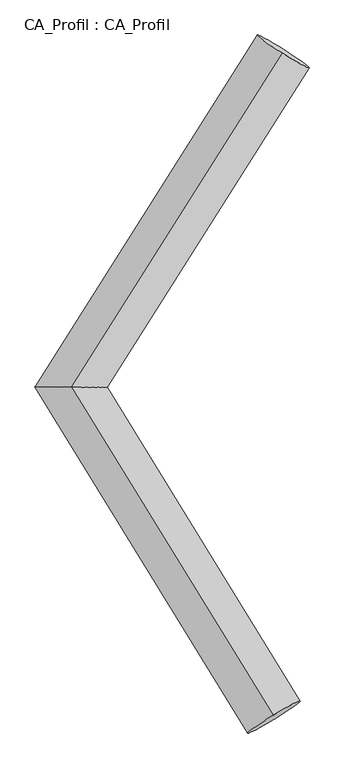
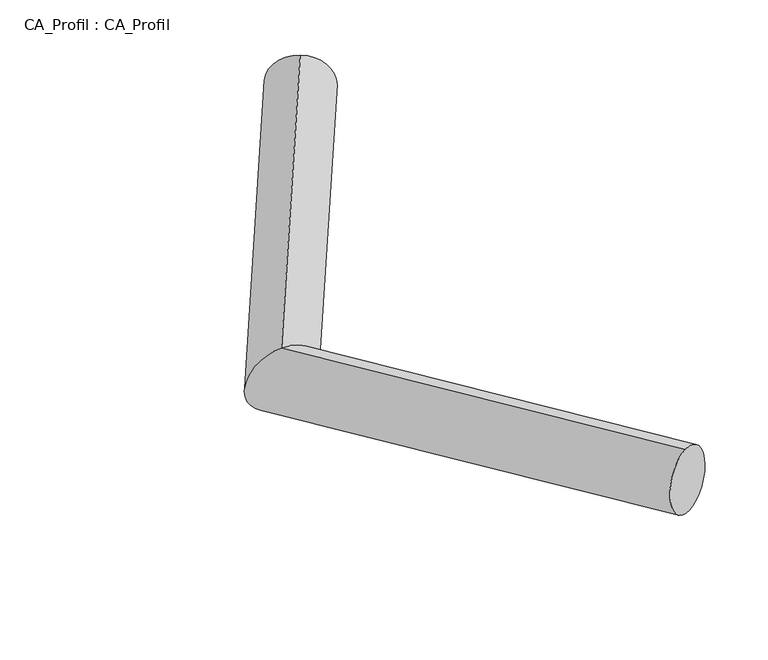
"""IFC4 building model written with IfcOpenShell, lengths in millimetres: plate geometry, CA_Profil : CA_Profil."""

from ifc_helpers import new_model, si_unit, frame, origin, place, context, project, spatial, circle_curve, ellipse_curve, source, transform, mapped, element, save
from ifc_brep_helpers import plane_surface, cylinder_surface, advanced_brep


def ca_profil_ca_profil_6172e606(model_context):
    return source(origin(), model_context, "Body", "AdvancedBrep", [
        advanced_brep(
        [(6141.4164327, 8838.1757907, -152.3889091), (6124.8335832, 8812.8154655, 346.6921094), (4409.2075519, 6095.622783, -349.3048236), (4409.1189024, 6096.377217, 151.6512403), (6067.6320953, 3398.852229, -148.9990813), (6051.3659073, 3425.9130208, 350.0030476)],
        [
            (0, 1, circle_curve(frame((6133.125008, 8825.4956281, 97.1516001), z_axis=(0.5330272038678351, 0.8439255665619924, 0.06059404294035635), x_axis=(-0.03316569891988208, -0.0507206503344655, 0.9981620369683495)), 250.0)),
            (1, 0, circle_curve(frame((6133.125008, 8825.4956281, 97.1516001), z_axis=(0.5330272038678351, 0.8439255665619924, 0.06059404294035635), x_axis=(-0.03316569891988208, -0.0507206503344655, 0.9981620369683495)), 250.0)),
            (0, 2),
            (2, 3, ellipse_curve(frame((4409.1632271, 6096.0, -98.8267916), z_axis=(0.00604060668936183, 0.999980623000383, -0.0015048902252842282), x_axis=(0.9931857028962657, -0.005824392517849398, 0.11639689005402544)), 295.1462024, 250.0)),
            (3, 1),
            (3, 2, ellipse_curve(frame((4409.1632271, 6096.0, -98.8267916), z_axis=(0.00604060668936183, 0.999980623000383, -0.0015048902252842282), x_axis=(0.9931857028962657, -0.005824392517849398, 0.11639689005402544)), 295.1462024, 250.0)),
            (4, 5, circle_curve(frame((6059.4990013, 3412.3826249, 100.5019832), z_axis=(0.5227939590538951, -0.8501172755883866, 0.06314344085440357), x_axis=(-0.032532375948290476, 0.054121583610001196, 0.9980042578580037)), 250.0)),
            (5, 4, circle_curve(frame((6059.4990013, 3412.3826249, 100.5019832), z_axis=(0.5227939590538951, -0.8501172755883866, 0.06314344085440357), x_axis=(-0.032532375948290476, 0.054121583610001196, 0.9980042578580037)), 250.0)),
            (2, 4),
            (5, 3),
        ],
        [
            plane_surface(frame((6133.125008, 8843.399593, -152.2064718), z_axis=(0.5330272038678343, 0.8439255665619929, 0.06059404294035662), x_axis=(0.8460981030216522, -0.5316585433895074, -0.03817320138669441))),
            cylinder_surface(frame((6133.125008, 8825.4956281, 97.1516001), z_axis=(0.5330272038678351, 0.8439255665619924, 0.06059404294035635), x_axis=(-0.03316569891988208, -0.0507206503344655, 0.9981620369683495)), 250.0),
            plane_surface(frame((6059.4990013, 3393.8645978, -148.8112388), z_axis=(0.5227939590538946, -0.8501172755883869, 0.06314344085440383), x_axis=(0.8524590760715466, 0.5213577855409708, -0.03872445066182688))),
            cylinder_surface(frame((4409.1632271, 6096.0, -98.8267916), z_axis=(-0.5227939590538951, 0.8501172755883866, -0.06314344085440357), x_axis=(-0.032532375948290476, 0.054121583610001196, 0.9980042578580037)), 250.0),
        ],
        [
            (0, [[1, 2]]),
            (1, [[-1, 3, 4, 5]]),
            (1, [[-2, -5, 6, -3]]),
            (2, [[7, 8]]),
            (3, [[-4, 9, -8, 10]]),
            (3, [[-6, -10, -7, -9]]),
        ],
    ),
    ])


if __name__ == "__main__":
    model = new_model("IFC4")
    model_context = context("Model", 3, world=origin())
    ifc_project = project(units=[si_unit("LENGTHUNIT", "METRE", prefix="MILLI")], contexts=[model_context])
    site = spatial("IfcSite", under=ifc_project)
    building = spatial("IfcBuilding", under=site)
    placement = place(None, origin())
    ca_profil_ca_profil_shape = ca_profil_ca_profil_6172e606(model_context)
    element("IfcPlate", 1, ObjectType="CA_Profil : CA_Profil", at=placement, inside=building, context=model_context, shape_type="MappedRepresentation", body=[
        mapped(ca_profil_ca_profil_shape, transform((0.0, 0.0, 0.0), x_axis=(1.0, 0.0, 0.0), y_axis=(0.0, 1.0, 0.0), z_axis=(0.0, 0.0, 1.0))),
    ])
    save(model, "model.ifc")
